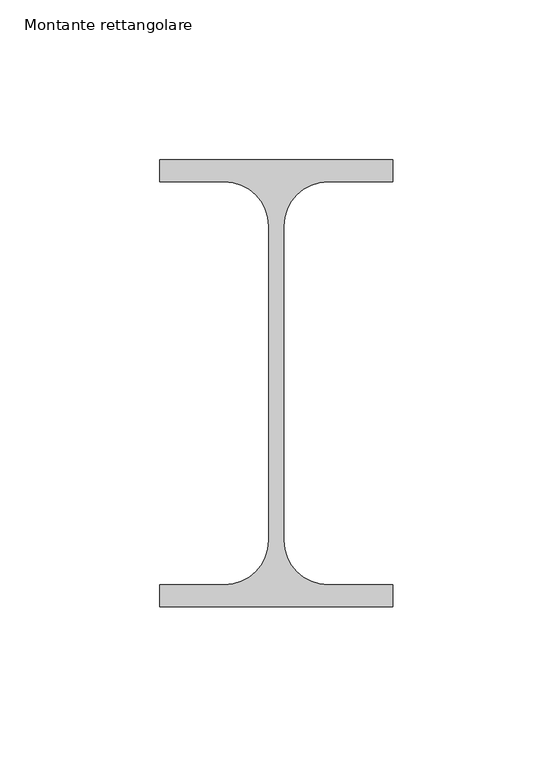
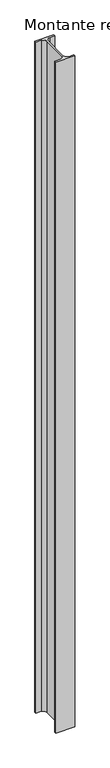
"""IFC4 building model written with IfcOpenShell, lengths in millimetres: member geometry, Montante rettangolare."""

from ifc_helpers import new_model, si_unit, point, frame, frame_2d, origin, place, context, project, spatial, polyline, circle_curve, trimmed, segment, composite_curve, outline, extrude, source, transform, mapped, element, save


def montante_rettangolare_d93df783(model_context):
    return source(origin(), model_context, "Body", "SweptSolid", [
        extrude(outline(composite_curve([segment(polyline([(-73.0, 13.1), (-73.0, 20.0), (0.0, 20.0), (0.0, 13.1), (-20.25, 13.1)]), True, "CONTINUOUS"), segment(trimmed(circle_curve(frame_2d((-20.25, -0.8)), 13.9), [point((-20.25, 13.1))], [point((-34.15, -0.8))], True, "CARTESIAN"), True, "CONTINUOUS"), segment(polyline([(-34.15, -0.8), (-34.15, -99.2)]), True, "CONTINUOUS"), segment(trimmed(circle_curve(frame_2d((-20.25, -99.2)), 13.9), [point((-34.15, -99.2))], [point((-20.25, -113.1))], True, "CARTESIAN"), True, "CONTINUOUS"), segment(polyline([(-20.25, -113.1), (0.0, -113.1), (0.0, -120.0), (-73.0, -120.0), (-73.0, -113.1), (-52.75, -113.1)]), True, "CONTINUOUS"), segment(trimmed(circle_curve(frame_2d((-52.75, -99.2)), 13.9), [point((-52.75, -113.1))], [point((-38.85, -99.2))], True, "CARTESIAN"), True, "CONTINUOUS"), segment(polyline([(-38.85, -99.2), (-38.85, -0.8)]), True, "CONTINUOUS"), segment(trimmed(circle_curve(frame_2d((-52.75, -0.8)), 13.9), [point((-38.85, -0.8))], [point((-52.75, 13.1))], True, "CARTESIAN"), True, "CONTINUOUS"), segment(polyline([(-52.75, 13.1), (-73.0, 13.1)]), True, "CONTINUOUS")], self_intersect=False)), frame((0.0, 0.0, -2722.6225878), z_axis=(0.0, 0.0, 1.0), x_axis=(1.0, 0.0, 0.0)), (0.0, 0.0, 1.0), 2722.6225878),
    ])


if __name__ == "__main__":
    model = new_model("IFC4")
    model_context = context("Model", 3, world=origin())
    ifc_project = project(units=[si_unit("LENGTHUNIT", "METRE", prefix="MILLI")], contexts=[model_context])
    site = spatial("IfcSite", under=ifc_project)
    building = spatial("IfcBuilding", under=site)
    placement = place(None, origin())
    montante_rettangolare_shape = montante_rettangolare_d93df783(model_context)
    element("IfcMember", 1, ObjectType="Montante rettangolare", at=placement, inside=building, context=model_context, shape_type="MappedRepresentation", body=[
        mapped(montante_rettangolare_shape, transform((0.0, 0.0, 0.0), x_axis=(1.0, 0.0, 0.0), y_axis=(0.0, 1.0, 0.0), z_axis=(0.0, 0.0, 1.0))),
    ])
    save(model, "model.ifc")
